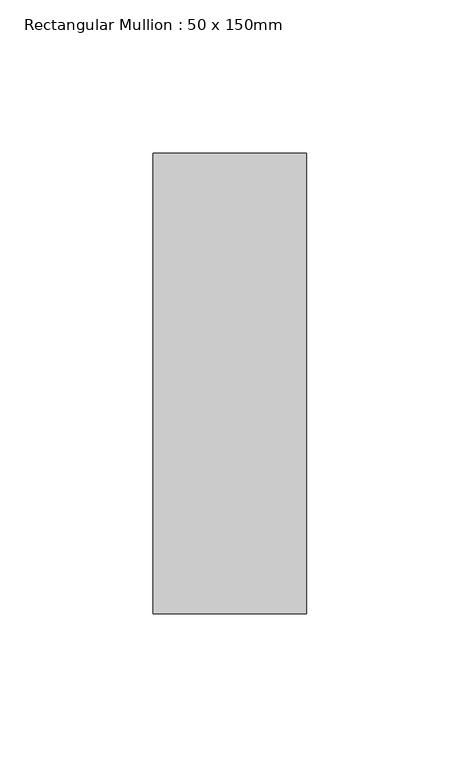
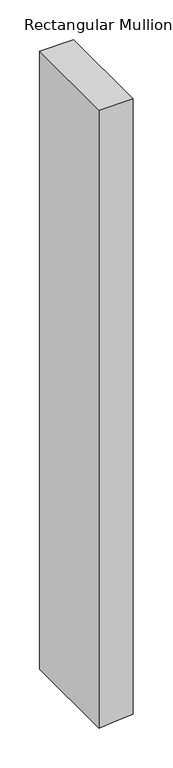
"""IFC4 building model written with IfcOpenShell, lengths in millimetres: member geometry, Rectangular Mullion : 50 x 150mm."""

from ifc_helpers import new_model, si_unit, frame, origin, place, context, project, spatial, polyline, outline, extrude, source, transform, mapped, element, save


def rectangular_mullion_50_x_150mm_fd79fed9(model_context):
    return source(origin(), model_context, "Body", "SweptSolid", [
        extrude(outline(polyline([(0.0, 25.0), (0.0, -25.0), (-951.6826855, -25.0), (-949.8767259, -4.3577871), (-947.3082523, 25.0), (0.0, 25.0)])), frame((0.0, -75.0, 0.0), z_axis=(0.0, 1.0, 0.0), x_axis=(0.0, 0.0, 1.0)), (0.0, 0.0, 1.0), 150.0),
    ])


if __name__ == "__main__":
    model = new_model("IFC4")
    model_context = context("Model", 3, world=origin())
    ifc_project = project(units=[si_unit("LENGTHUNIT", "METRE", prefix="MILLI")], contexts=[model_context])
    site = spatial("IfcSite", under=ifc_project)
    building = spatial("IfcBuilding", under=site)
    placement = place(None, origin())
    rectangular_mullion_50_x_150mm_shape = rectangular_mullion_50_x_150mm_fd79fed9(model_context)
    element("IfcMember", 1, ObjectType="Rectangular Mullion : 50 x 150mm", at=placement, inside=building, context=model_context, shape_type="MappedRepresentation", body=[
        mapped(rectangular_mullion_50_x_150mm_shape, transform((0.0, 0.0, 0.0), x_axis=(1.0, 0.0, 0.0), y_axis=(0.0, 1.0, 0.0), z_axis=(0.0, 0.0, 1.0))),
    ])
    save(model, "model.ifc")
